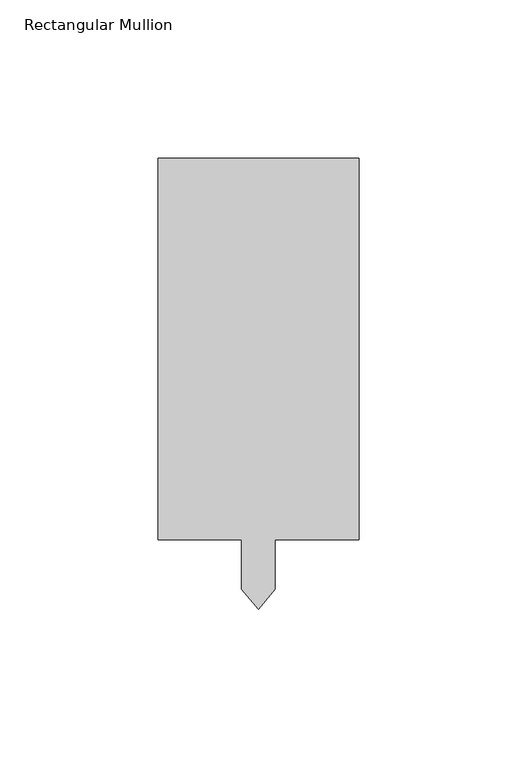
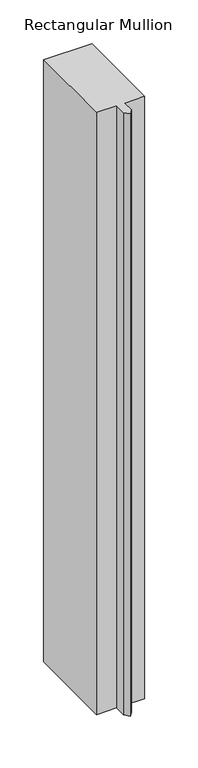
"""IFC4 building model written with IfcOpenShell, lengths in millimetres: member geometry, Rectangular Mullion."""

from ifc_helpers import new_model, si_unit, frame, origin, place, context, project, spatial, polyline, outline, extrude, source, transform, mapped, element, save


def rectangular_mullion_303f042a(model_context):
    return source(origin(), model_context, "Body", "SweptSolid", [
        extrude(outline(polyline([(31.75, 152.4), (31.75, 31.75), (5.3213, 31.75), (5.3213, 16.0811808), (0.0, 9.7395025), (-5.3213, 16.0811808), (-5.3213, 31.75), (-31.75, 31.75), (-31.75, 152.4), (31.75, 152.4)])), frame((0.0, 0.0, -838.1746001), z_axis=(0.0, 0.0, 1.0), x_axis=(1.0, 0.0, 0.0)), (0.0, 0.0, 1.0), 838.1746001),
    ])


if __name__ == "__main__":
    model = new_model("IFC4")
    model_context = context("Model", 3, world=origin())
    ifc_project = project(units=[si_unit("LENGTHUNIT", "METRE", prefix="MILLI")], contexts=[model_context])
    site = spatial("IfcSite", under=ifc_project)
    building = spatial("IfcBuilding", under=site)
    placement = place(None, origin())
    rectangular_mullion_shape = rectangular_mullion_303f042a(model_context)
    element("IfcMember", 1, ObjectType="Rectangular Mullion", at=placement, inside=building, context=model_context, shape_type="MappedRepresentation", body=[
        mapped(rectangular_mullion_shape, transform((0.0, 0.0, 0.0), x_axis=(1.0, 0.0, 0.0), y_axis=(0.0, 1.0, 0.0), z_axis=(0.0, 0.0, 1.0))),
    ])
    save(model, "model.ifc")
